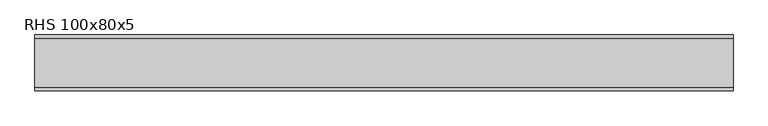
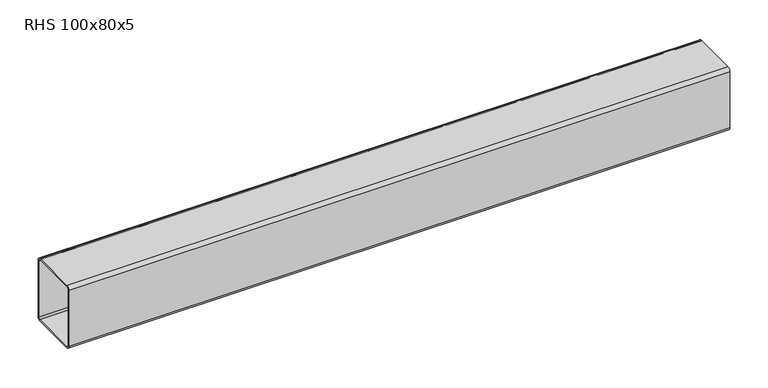
"""IFC4 building model written with IfcOpenShell, lengths in millimetres: beam geometry, RHS 100x80x5."""

from ifc_helpers import new_model, si_unit, point, frame, frame_2d, origin, place, context, project, spatial, polyline, circle_curve, trimmed, segment, composite_curve, outline, extrude, source, transform, mapped, element, save


def rhs_100x80x5_aca298aa(model_context):
    return source(origin(), model_context, "Body", "SweptSolid", [
        extrude(outline(composite_curve([segment(polyline([(40.0, 45.0), (40.0, -45.0)]), True, "CONTINUOUS"), segment(trimmed(circle_curve(frame_2d((35.0, -45.0)), 5.0), [point((40.0, -45.0))], [point((35.0, -50.0))], False, "CARTESIAN"), True, "CONTINUOUS"), segment(polyline([(35.0, -50.0), (-35.0, -50.0)]), True, "CONTINUOUS"), segment(trimmed(circle_curve(frame_2d((-35.0, -45.0)), 5.0), [point((-35.0, -50.0))], [point((-40.0, -45.0))], False, "CARTESIAN"), True, "CONTINUOUS"), segment(polyline([(-40.0, -45.0), (-40.0, 45.0)]), True, "CONTINUOUS"), segment(trimmed(circle_curve(frame_2d((-35.0, 45.0)), 5.0), [point((-40.0, 45.0))], [point((-35.0, 50.0))], False, "CARTESIAN"), True, "CONTINUOUS"), segment(polyline([(-35.0, 50.0), (35.0, 50.0)]), True, "CONTINUOUS"), segment(trimmed(circle_curve(frame_2d((35.0, 45.0)), 5.0), [point((35.0, 50.0))], [point((40.0, 45.0))], False, "CARTESIAN"), True, "CONTINUOUS")], self_intersect=False), holes=[composite_curve([segment(trimmed(circle_curve(frame_2d((-35.0, 45.0)), 2.5), [point((-35.0, 47.5))], [point((-37.5, 45.0))], True, "CARTESIAN"), True, "CONTINUOUS"), segment(polyline([(-37.5, 45.0), (-37.5, -45.0)]), True, "CONTINUOUS"), segment(trimmed(circle_curve(frame_2d((-35.0, -45.0)), 2.5), [point((-37.5, -45.0))], [point((-35.0, -47.5))], True, "CARTESIAN"), True, "CONTINUOUS"), segment(polyline([(-35.0, -47.5), (35.0, -47.5)]), True, "CONTINUOUS"), segment(trimmed(circle_curve(frame_2d((35.0, -45.0)), 2.5), [point((35.0, -47.5))], [point((37.5, -45.0))], True, "CARTESIAN"), True, "CONTINUOUS"), segment(polyline([(37.5, -45.0), (37.5, 45.0)]), True, "CONTINUOUS"), segment(trimmed(circle_curve(frame_2d((35.0, 45.0)), 2.5), [point((37.5, 45.0))], [point((35.0, 47.5))], True, "CARTESIAN"), True, "CONTINUOUS"), segment(polyline([(35.0, 47.5), (-35.0, 47.5)]), True, "CONTINUOUS")], self_intersect=False)]), frame((-500.0717869, 0.0, 0.0), z_axis=(1.0, 0.0, 0.0), x_axis=(0.0, 1.0, 0.0)), (0.0, 0.0, 1.0), 1000.1435737),
    ])


if __name__ == "__main__":
    model = new_model("IFC4")
    model_context = context("Model", 3, world=origin())
    ifc_project = project(units=[si_unit("LENGTHUNIT", "METRE", prefix="MILLI")], contexts=[model_context])
    site = spatial("IfcSite", under=ifc_project)
    building = spatial("IfcBuilding", under=site)
    placement = place(None, origin())
    rhs_100x80x5_shape = rhs_100x80x5_aca298aa(model_context)
    element("IfcBeam", 1, ObjectType="RHS 100x80x5", at=placement, inside=building, context=model_context, shape_type="MappedRepresentation", body=[
        mapped(rhs_100x80x5_shape, transform((0.0, 0.0, 0.0), x_axis=(1.0, 0.0, 0.0), y_axis=(0.0, 1.0, 0.0), z_axis=(0.0, 0.0, 1.0))),
    ])
    save(model, "model.ifc")
